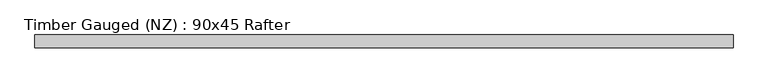
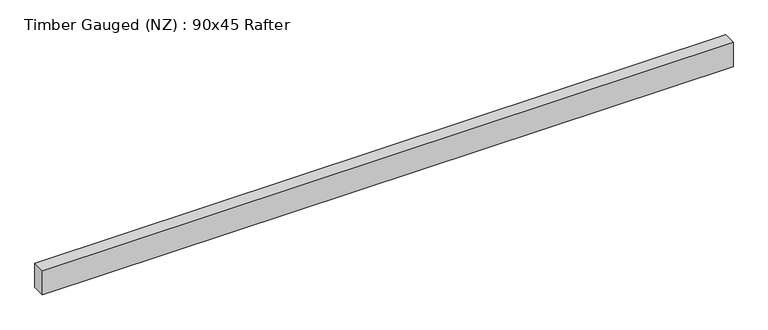
"""IFC4 building model written with IfcOpenShell, lengths in millimetres: beam geometry, Timber Gauged (NZ) : 90x45 Rafter."""

from ifc_helpers import new_model, si_unit, frame, origin, place, context, project, spatial, polyline, outline, extrude, source, transform, mapped, element, save


def timber_gauged_nz_90x45_rafter_8386d3ec(model_context):
    return source(origin(), model_context, "Body", "SweptSolid", [
        extrude(outline(polyline([(1210.0, 22.5), (1210.0, -22.5), (-1210.0, -22.5), (-1210.0, 22.5), (1210.0, 22.5)])), frame((0.0, 0.0, -45.0), z_axis=(0.0, 0.0, 1.0), x_axis=(1.0, 0.0, 0.0)), (0.0, 0.0, 1.0), 90.0),
    ])


if __name__ == "__main__":
    model = new_model("IFC4")
    model_context = context("Model", 3, world=origin())
    ifc_project = project(units=[si_unit("LENGTHUNIT", "METRE", prefix="MILLI")], contexts=[model_context])
    site = spatial("IfcSite", under=ifc_project)
    building = spatial("IfcBuilding", under=site)
    placement = place(None, origin())
    timber_gauged_nz_90x45_rafter_shape = timber_gauged_nz_90x45_rafter_8386d3ec(model_context)
    element("IfcBeam", 1, ObjectType="Timber Gauged (NZ) : 90x45 Rafter", at=placement, inside=building, context=model_context, shape_type="MappedRepresentation", body=[
        mapped(timber_gauged_nz_90x45_rafter_shape, transform((0.0, 0.0, 0.0), x_axis=(1.0, 0.0, 0.0), y_axis=(0.0, 1.0, 0.0), z_axis=(0.0, 0.0, 1.0))),
    ])
    save(model, "model.ifc")
